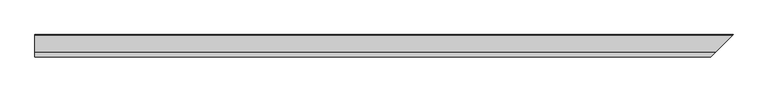
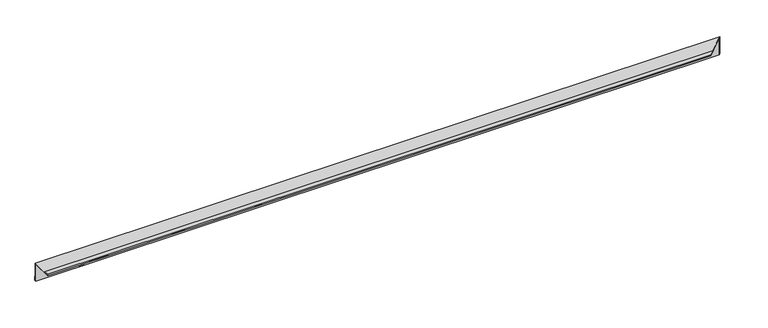
"""IFC4 building model written with IfcOpenShell, lengths in millimetres: proxy geometry."""

from ifc_helpers import new_model, si_unit, origin, place, context, project, spatial, faceted_brep, source, transform, mapped, element, save


def generic_models_4a5074d9(model_context):
    return source(origin(), model_context, "Body", "Brep", [
        faceted_brep([(0.0, -2.0, -45.0), (1508.0, -2.0, -45.0), (1505.0, -5.0, -45.0), (0.0, -5.0, -45.0), (0.0, -2.0, -35.0), (1508.0, -2.0, -35.0), (0.0, -3.0, -35.0), (1507.0, -3.0, -35.0), (0.0, -3.0, -44.0), (1507.0, -3.0, -44.0), (0.0, -4.0, -44.0), (1506.0, -4.0, -44.0), (0.0, -4.0, -4.0), (1506.0, -4.0, -4.0), (0.0, -49.0, -4.0), (1461.0, -49.0, -4.0), (0.0, -49.0, -3.0), (1461.0, -49.0, -3.0), (0.0, -40.0, -3.0), (1470.0, -40.0, -3.0), (0.0, -40.0, -2.0), (1470.0, -40.0, -2.0), (0.0, -50.0, -2.0), (1460.0, -50.0, -2.0), (0.0, -50.0, -5.0), (1460.0, -50.0, -5.0), (0.0, -5.0, -5.0), (1505.0, -5.0, -5.0)], [[[0, 1, 2, 3]], [[4, 5, 1, 0]], [[6, 7, 5, 4]], [[8, 9, 7, 6]], [[10, 11, 9, 8]], [[12, 13, 11, 10]], [[14, 15, 13, 12]], [[16, 17, 15, 14]], [[18, 19, 17, 16]], [[20, 21, 19, 18]], [[22, 23, 21, 20]], [[24, 25, 23, 22]], [[26, 27, 25, 24]], [[3, 2, 27, 26]], [[3, 26, 24, 22, 20, 18, 16, 14, 12, 10, 8, 6, 4, 0]], [[1, 5, 7, 9, 11, 13, 15, 17, 19, 21, 23, 25, 27, 2]]]),
    ])


if __name__ == "__main__":
    model = new_model("IFC4")
    model_context = context("Model", 3, world=origin())
    ifc_project = project(units=[si_unit("LENGTHUNIT", "METRE", prefix="MILLI")], contexts=[model_context])
    site = spatial("IfcSite", under=ifc_project)
    building = spatial("IfcBuilding", under=site)
    placement = place(None, origin())
    generic_models_shape = generic_models_4a5074d9(model_context)
    element("IfcBuildingElementProxy", 1, Name="Generic Models", at=placement, inside=building, context=model_context, shape_type="MappedRepresentation", body=[
        mapped(generic_models_shape, transform((0.0, 0.0, 0.0), x_axis=(1.0, 0.0, 0.0), y_axis=(0.0, 1.0, 0.0), z_axis=(0.0, 0.0, 1.0))),
    ])
    save(model, "model.ifc")
